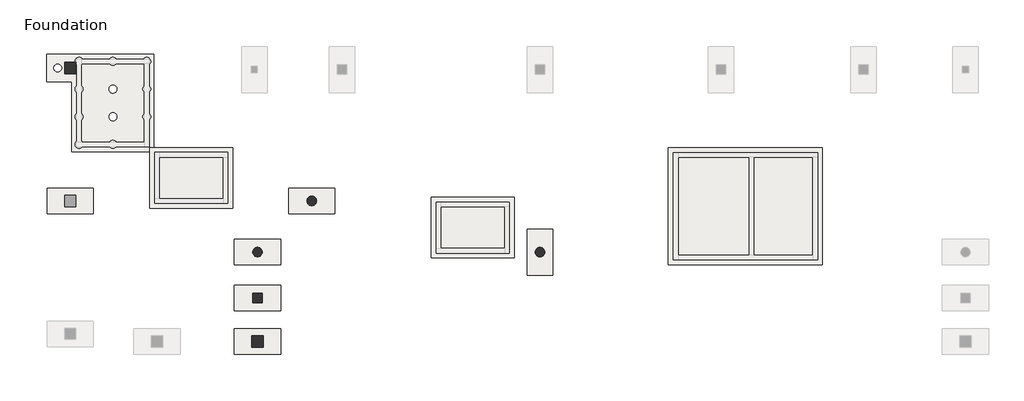
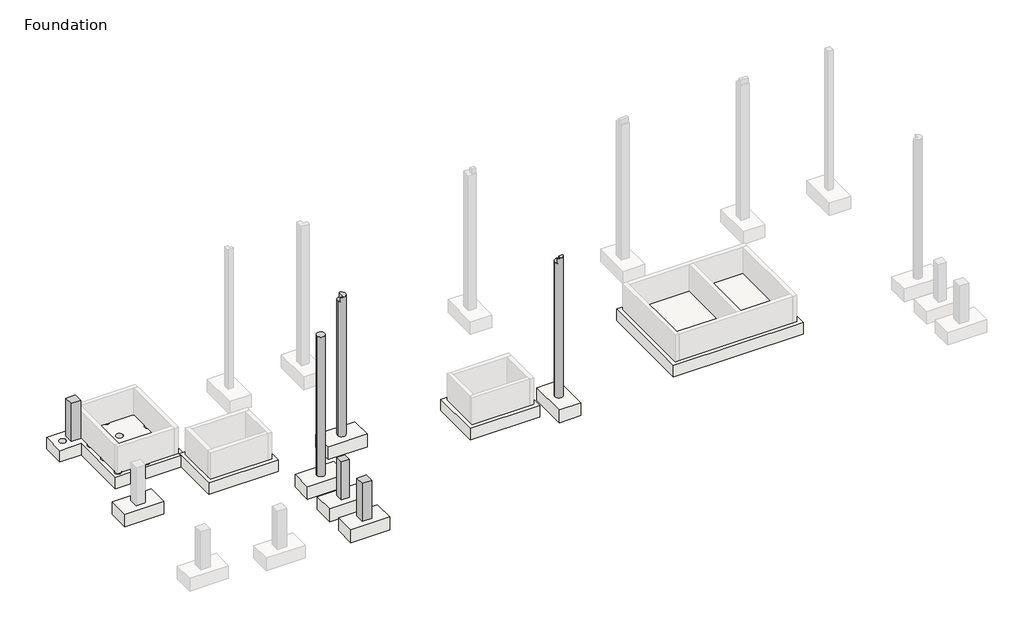
# One storey, part 2 of 10: 10 slabs, 6 columns.
"""IFC4 building model written with IfcOpenShell, lengths in millimetres."""

from ifc_helpers import new_model, si_unit, point, frame, frame_2d, origin, place, context, project, spatial, polyline, circle_curve, trimmed, segment, composite_curve, outline, extrude, faceted_brep, element, save
from ifc_brep_helpers import plane_surface, cylinder_surface, revolved_surface, advanced_brep

model = new_model("IFC4")

# Units and contexts
model_context = context("Model", 3, world=origin())
ifc_project = project(units=[si_unit("LENGTHUNIT", "METRE", prefix="MILLI")], contexts=[model_context])

# Site, building, storey
site = spatial("IfcSite", under=ifc_project)
building = spatial("IfcBuilding", under=site)
storey = spatial("IfcBuildingStorey", under=building, Name="Foundation", Elevation=-1600.0)

# Columns
placement = place(None, origin())
element("IfcColumn", 1, ObjectType="Concrete Round : 300 mm", at=placement, inside=storey, context=model_context, shape_type="AdvancedBrep", body=[
    advanced_brep(
    [(-54170.0749186, -17852.2248986, -1600.0), (-53870.0749186, -17852.2248986, -1600.0), (-54170.0749186, -17852.2248986, 3900.0), (-54161.4962748, -17802.2248986, 3900.0), (-53870.0749186, -17852.2248986, 3900.0), (-53970.0749186, -17993.6462549, 3900.0)],
    [
        (0, 1, circle_curve(frame((-54020.0749186, -17852.2248986, -1600.0), z_axis=(0.0, 0.0, -1.0), x_axis=(1.0, 0.0, 0.0)), 150.0)),
        (1, 0, circle_curve(frame((-54020.0749186, -17852.2248986, -1600.0), z_axis=(0.0, 0.0, -1.0), x_axis=(1.0, 0.0, 0.0)), 150.0)),
        (2, 3, circle_curve(frame((-54020.0749186, -17852.2248986, 3900.0), z_axis=(0.0, 0.0, -1.0), x_axis=(1.0, 0.0, 0.0)), 150.0)),
        (3, 4, circle_curve(frame((-54020.0749186, -17852.2248986, 3900.0), z_axis=(0.0, 0.0, -1.0), x_axis=(1.0, 0.0, 0.0)), 150.0)),
        (4, 1),
        (0, 2),
        (4, 5, circle_curve(frame((-54020.0749186, -17852.2248986, 3900.0), z_axis=(0.0, 0.0, -1.0), x_axis=(1.0, 0.0, 0.0)), 150.0)),
        (5, 2, circle_curve(frame((-54020.0749186, -17852.2248986, 3900.0), z_axis=(0.0, 0.0, -1.0), x_axis=(1.0, 0.0, 0.0)), 150.0)),
    ],
    [
        plane_surface(frame((-53870.0749186, -17852.2248986, -1600.0), z_axis=(0.0, 0.0, -1.0), x_axis=(0.0, -1.0, 0.0))),
        cylinder_surface(frame((-54020.0749186, -17852.2248986, -1600.0), z_axis=(0.0, 0.0, 1.0), x_axis=(1.0, 0.0, 0.0)), 150.0),
        plane_surface(frame((-53870.0749186, -17852.2248986, 3900.0), z_axis=(0.0, 0.0, 1.0), x_axis=(0.0, 1.0, 0.0))),
    ],
    [
        (0, [[1, 2]]),
        (1, [[3, 4, 5, -1, 6]]),
        (1, [[7, 8, -6, -2, -5]]),
        (2, [[-8, -7, -4, -3]]),
    ],
),
])
element("IfcColumn", 2, ObjectType="Concrete Round : 300 mm", at=placement, inside=storey, context=model_context, shape_type="AdvancedBrep", body=[
    advanced_brep(
    [(-52465.0320216, -16244.1031039, -1600.0), (-52165.0320216, -16244.1031039, -1600.0), (-52465.0320216, -16244.1031039, 3720.0), (-52315.0320216, -16094.1031039, 3720.0), (-52315.0320216, -16094.1031039, 3900.0), (-52215.0519153, -16132.2819148, 3900.0), (-52165.0320216, -16244.1031039, 3900.0), (-52426.8354205, -16344.1031039, 3900.0), (-52426.8354205, -16344.1031039, 3720.0), (-52315.0320216, -16344.1031039, 3900.0), (-52315.0320216, -16344.1031039, 3720.0)],
    [
        (0, 1, circle_curve(frame((-52315.0320216, -16244.1031039, -1600.0), z_axis=(0.0, 0.0, -1.0), x_axis=(1.0, 0.0, 0.0)), 150.0)),
        (1, 0, circle_curve(frame((-52315.0320216, -16244.1031039, -1600.0), z_axis=(0.0, 0.0, -1.0), x_axis=(1.0, 0.0, 0.0)), 150.0)),
        (0, 2),
        (2, 3, circle_curve(frame((-52315.0320216, -16244.1031039, 3720.0), z_axis=(0.0, 0.0, -1.0), x_axis=(1.0, 0.0, 0.0)), 150.0)),
        (3, 4),
        (4, 5, circle_curve(frame((-52315.0320216, -16244.1031039, 3900.0), z_axis=(0.0, 0.0, -1.0), x_axis=(1.0, 0.0, 0.0)), 150.0)),
        (5, 6, circle_curve(frame((-52315.0320216, -16244.1031039, 3900.0), z_axis=(0.0, 0.0, -1.0), x_axis=(1.0, 0.0, 0.0)), 150.0)),
        (6, 1),
        (6, 7, circle_curve(frame((-52315.0320216, -16244.1031039, 3900.0), z_axis=(0.0, 0.0, -1.0), x_axis=(1.0, 0.0, 0.0)), 150.0)),
        (7, 8),
        (8, 2, circle_curve(frame((-52315.0320216, -16244.1031039, 3720.0), z_axis=(0.0, 0.0, -1.0), x_axis=(1.0, 0.0, 0.0)), 150.0)),
        (4, 9),
        (9, 7),
        (10, 3),
        (8, 10),
        (9, 10),
    ],
    [
        plane_surface(frame((-52165.0320216, -16244.1031039, -1600.0), z_axis=(0.0, 0.0, -1.0), x_axis=(0.0, -1.0, 0.0))),
        cylinder_surface(frame((-52315.0320216, -16244.1031039, -1600.0), z_axis=(0.0, 0.0, 1.0), x_axis=(1.0, 0.0, 0.0)), 150.0),
        plane_surface(frame((-52165.0320216, -16244.1031039, 3900.0), z_axis=(0.0, 0.0, 1.0), x_axis=(0.0, 1.0, 0.0))),
        plane_surface(frame((-57102.5749186, -16344.1031039, 3720.0), z_axis=(0.0, 0.0, 1.0), x_axis=(-1.0, 0.0, 0.0))),
        plane_surface(frame((-52315.0320216, -16344.1031039, 3720.0), z_axis=(0.0, 1.0, 0.0), x_axis=(0.0, 0.0, 1.0))),
        plane_surface(frame((-52315.0320216, -12119.7248986, 3720.0), z_axis=(-1.0, 0.0, 0.0), x_axis=(0.0, 0.0, 1.0))),
    ],
    [
        (0, [[1, 2]]),
        (1, [[-1, 3, 4, 5, 6, 7, 8]]),
        (1, [[-2, -8, 9, 10, 11, -3]]),
        (2, [[-9, -7, -6, 12, 13]]),
        (3, [[14, -4, -11, 15]]),
        (4, [[16, -15, -10, -13]]),
        (5, [[-16, -12, -5, -14]]),
    ],
),
])
element("IfcColumn", 3, ObjectType="Concrete Round : 300 mm", at=placement, inside=storey, context=model_context, shape_type="AdvancedBrep", body=[
    advanced_brep(
    [(-45297.5749186, -17852.2248986, -1600.0), (-44997.5749186, -17852.2248986, -1600.0), (-45297.5749186, -17852.2248986, 3700.0), (-45147.5749186, -17702.2248986, 3700.0), (-45147.5749186, -17702.2248986, 3720.0), (-44997.5749186, -17852.2248986, 3720.0), (-44997.5749186, -17852.2248986, 3900.0), (-45035.7911262, -17952.246815, 3900.0), (-45259.3783174, -17952.2248986, 3900.0), (-45259.3783174, -17952.2248986, 3700.0), (-45147.5749186, -17852.2248986, 3900.0), (-45147.5749186, -17952.2248986, 3900.0), (-45247.5749186, -17952.2248986, 3900.0), (-45147.5749186, -17852.2248986, 3720.0), (-45247.5749186, -17952.2248986, 3700.0), (-45147.5749186, -17952.2248986, 3700.0)],
    [
        (0, 1, circle_curve(frame((-45147.5749186, -17852.2248986, -1600.0), z_axis=(0.0, 0.0, -1.0), x_axis=(1.0, 0.0, 0.0)), 150.0)),
        (1, 0, circle_curve(frame((-45147.5749186, -17852.2248986, -1600.0), z_axis=(0.0, 0.0, -1.0), x_axis=(1.0, 0.0, 0.0)), 150.0)),
        (0, 2),
        (2, 3, circle_curve(frame((-45147.5749186, -17852.2248986, 3700.0), z_axis=(0.0, 0.0, -1.0), x_axis=(1.0, 0.0, 0.0)), 150.0)),
        (3, 4),
        (4, 5, circle_curve(frame((-45147.5749186, -17852.2248986, 3720.0), z_axis=(0.0, 0.0, -1.0), x_axis=(1.0, 0.0, 0.0)), 150.0)),
        (5, 1),
        (5, 6),
        (6, 7, circle_curve(frame((-45147.5749186, -17852.2248986, 3900.0), z_axis=(0.0, 0.0, -1.0), x_axis=(1.0, 0.0, 0.0)), 150.0)),
        (7, 8, circle_curve(frame((-45147.5749186, -17852.2248986, 3900.0), z_axis=(0.0, 0.0, -1.0), x_axis=(1.0, 0.0, 0.0)), 150.0)),
        (8, 9),
        (9, 2, circle_curve(frame((-45147.5749186, -17852.2248986, 3700.0), z_axis=(0.0, 0.0, -1.0), x_axis=(1.0, 0.0, 0.0)), 150.0)),
        (6, 10),
        (10, 11),
        (11, 12),
        (12, 8),
        (13, 5),
        (4, 13),
        (13, 10),
        (9, 14),
        (14, 15),
        (15, 3),
        (15, 11),
    ],
    [
        plane_surface(frame((-44997.5749186, -17852.2248986, -1600.0), z_axis=(0.0, 0.0, -1.0), x_axis=(0.0, -1.0, 0.0))),
        cylinder_surface(frame((-45147.5749186, -17852.2248986, -1600.0), z_axis=(0.0, 0.0, 1.0), x_axis=(1.0, 0.0, 0.0)), 150.0),
        plane_surface(frame((-44997.5749186, -17852.2248986, 3900.0), z_axis=(0.0, 0.0, 1.0), x_axis=(0.0, 1.0, 0.0))),
        plane_surface(frame((-46182.5711521, -17852.2248986, 3720.0), z_axis=(0.0, 0.0, 1.0), x_axis=(-1.0, 0.0, 0.0))),
        plane_surface(frame((-40807.5711521, -17852.2248986, 3720.0), z_axis=(0.0, 1.0, 0.0), x_axis=(0.0, 0.0, 1.0))),
        plane_surface(frame((-45147.5749186, -17852.2248986, 3700.0), z_axis=(0.0, 0.0, 1.0), x_axis=(0.0, -1.0, 0.0))),
        plane_surface(frame((-45147.5749186, -14486.7502797, 3700.0), z_axis=(-1.0, 0.0, 0.0), x_axis=(0.0, 0.0, 1.0))),
        plane_surface(frame((-45147.5749186, -17952.2248986, 3700.0), z_axis=(0.0, 1.0, 0.0), x_axis=(0.0, 0.0, 1.0))),
    ],
    [
        (0, [[1, 2]]),
        (1, [[-1, 3, 4, 5, 6, 7]]),
        (1, [[-2, -7, 8, 9, 10, 11, 12, -3]]),
        (2, [[13, 14, 15, 16, -10, -9]]),
        (3, [[17, -6, 18]]),
        (4, [[-17, 19, -13, -8]]),
        (5, [[20, 21, 22, -4, -12]]),
        (6, [[23, -14, -19, -18, -5, -22]]),
        (7, [[-23, -21, -20, -11, -16, -15]]),
    ],
),
])
element("IfcColumn", 4, ObjectType="Concrete-Rectangular-Column : C 30/30", at=placement, inside=storey, context=model_context, shape_type="Brep", body=[
    faceted_brep([(-53870.0749186, -19149.1395763, -1600.0), (-53870.0749186, -19449.1395763, -1600.0), (-54170.0749186, -19449.1395763, -1600.0), (-54170.0749186, -19149.1395763, -1600.0), (-53870.0749186, -19149.1395763, -100.0), (-53870.0749186, -19449.1395763, -100.0), (-53870.0749186, -19449.1395763, -550.0), (-53870.0749186, -19149.1395763, -550.0), (-54170.0749186, -19449.1395763, -100.0), (-54170.0749186, -19449.1395763, -550.0), (-54170.0749186, -19149.1395763, -100.0), (-54170.0749186, -19149.1395763, -550.0)], [[[0, 1, 2, 3]], [[4, 5, 6, 1, 0, 7]], [[5, 8, 9, 2, 1, 6]], [[8, 10, 11, 3, 2, 9]], [[10, 4, 7, 0, 3, 11]], [[4, 10, 8, 5]]]),
])
element("IfcColumn", 5, ObjectType="Concrete-Rectangular-Column : C 35/35", at=placement, inside=storey, context=model_context, shape_type="Brep", body=[
    faceted_brep([(-59722.5229628, -11894.7248986, -1600.0), (-59722.5229628, -12244.7248986, -1600.0), (-60072.5229628, -12244.7248986, -1600.0), (-60072.5229628, -11894.7248986, -1600.0), (-59722.5229628, -11894.7248986, -100.0), (-59722.5229628, -12244.7248986, -100.0), (-59722.5229628, -12244.7248986, -550.0), (-59722.5229628, -11894.7248986, -550.0), (-60072.5229628, -12244.7248986, -100.0), (-60072.5229628, -12244.7248986, -550.0), (-60072.5229628, -11894.7248986, -100.0), (-60072.5229628, -11894.7248986, -550.0)], [[[0, 1, 2, 3]], [[4, 5, 6, 1, 0, 7]], [[5, 8, 9, 2, 1, 6]], [[8, 10, 11, 3, 2, 9]], [[10, 4, 7, 0, 3, 11]], [[4, 10, 8, 5]]]),
])
element("IfcColumn", 6, ObjectType="Concrete-Rectangular-Column : C 35/35", at=placement, inside=storey, context=model_context, shape_type="Brep", body=[
    faceted_brep([(-54195.0749186, -20484.7180835, -1600.0), (-53845.0749186, -20484.7180835, -1600.0), (-53845.0749186, -20834.7180835, -1600.0), (-54195.0749186, -20834.7180835, -1600.0), (-54195.0749186, -20484.7180835, -100.0), (-53845.0749186, -20484.7180835, -100.0), (-53845.0749186, -20484.7180835, -550.0), (-54195.0749186, -20484.7180835, -550.0), (-53845.0749186, -20834.7180835, -100.0), (-53845.0749186, -20834.7180835, -550.0), (-54195.0749186, -20834.7180835, -100.0), (-54195.0749186, -20834.7180835, -550.0)], [[[0, 1, 2, 3]], [[4, 5, 6, 1, 0, 7]], [[5, 8, 9, 2, 1, 6]], [[8, 10, 11, 3, 2, 9]], [[10, 4, 7, 0, 3, 11]], [[4, 10, 8, 5]]]),
])

# Slabs
element("IfcSlab", 7, ObjectType="Pile Cap for 2 Piles : Type 1", at=placement, inside=storey, context=model_context, shape_type="AdvancedBrep", body=[
    advanced_brep(
    [(-60622.5229628, -15845.558232, -1600.0), (-60622.5229628, -16645.558232, -1600.0), (-59172.5229628, -16645.558232, -1600.0), (-59172.5229628, -15845.558232, -1600.0), (-60622.5229628, -15845.558232, -2100.0), (-59172.5229628, -15845.558232, -2100.0), (-59172.5229628, -16645.558232, -2100.0), (-60622.5229628, -16645.558232, -2100.0), (-60297.5229628, -16378.8915653, -2100.0), (-60297.5229628, -16112.2248986, -2100.0), (-59497.5229628, -16378.8915653, -2100.0), (-59497.5229628, -16112.2248986, -2100.0), (-59497.5229628, -16378.8915653, -2050.0), (-59497.5229628, -16112.2248986, -2050.0), (-60297.5229628, -16378.8915653, -2050.0), (-60297.5229628, -16112.2248986, -2050.0)],
    [
        (0, 1),
        (1, 2),
        (2, 3),
        (3, 0),
        (4, 5),
        (5, 6),
        (6, 7),
        (7, 4),
        (8, 9, circle_curve(frame((-60297.5229628, -16245.558232, -2100.0), z_axis=(0.0, 0.0, 1.0), x_axis=(0.0, 0.9999999999999999, 0.0)), 133.3333333)),
        (9, 8, circle_curve(frame((-60297.5229628, -16245.558232, -2100.0), z_axis=(0.0, 0.0, 1.0), x_axis=(0.0, 0.9999999999999999, 0.0)), 133.3333333)),
        (10, 11, circle_curve(frame((-59497.5229628, -16245.558232, -2100.0), z_axis=(0.0, 0.0, 1.0), x_axis=(0.0, 0.9999999999999999, 0.0)), 133.3333333)),
        (11, 10, circle_curve(frame((-59497.5229628, -16245.558232, -2100.0), z_axis=(0.0, 0.0, 1.0), x_axis=(0.0, 0.9999999999999999, 0.0)), 133.3333333)),
        (0, 4),
        (7, 1),
        (6, 2),
        (5, 3),
        (12, 13, circle_curve(frame((-59497.5229628, -16245.558232, -2050.0), z_axis=(0.0, 0.0, -1.0), x_axis=(0.0, 0.9999999999999999, 0.0)), 133.3333333)),
        (13, 12, circle_curve(frame((-59497.5229628, -16245.558232, -2050.0), z_axis=(0.0, 0.0, -1.0), x_axis=(0.0, 0.9999999999999999, 0.0)), 133.3333333)),
        (8, 14),
        (14, 15, circle_curve(frame((-60297.5229628, -16245.558232, -2050.0), z_axis=(0.0, 0.0, 1.0), x_axis=(0.0, 0.9999999999999999, 0.0)), 133.3333333)),
        (15, 9),
        (15, 14, circle_curve(frame((-60297.5229628, -16245.558232, -2050.0), z_axis=(0.0, 0.0, 1.0), x_axis=(0.0, 0.9999999999999999, 0.0)), 133.3333333)),
        (10, 12),
        (13, 11),
    ],
    [
        plane_surface(frame((-60622.5229628, -16645.558232, -1600.0), z_axis=(0.0, 0.0, 1.0), x_axis=(0.0, -1.0, 0.0))),
        plane_surface(frame((-60622.5229628, -16645.558232, -2100.0), z_axis=(0.0, 0.0, -1.0), x_axis=(0.0, 1.0, 0.0))),
        plane_surface(frame((-60622.5229628, -15845.558232, -1600.0), z_axis=(-1.0, 0.0, 0.0), x_axis=(0.0, 0.0, -1.0))),
        plane_surface(frame((-60622.5229628, -16645.558232, -1600.0), z_axis=(0.0, -1.0, 0.0), x_axis=(0.0, 0.0, -1.0))),
        plane_surface(frame((-59172.5229628, -16645.558232, -1600.0), z_axis=(1.0, 0.0, 0.0), x_axis=(0.0, 0.0, -1.0))),
        plane_surface(frame((-59172.5229628, -15845.558232, -1600.0), z_axis=(0.0, 1.0, 0.0), x_axis=(0.0, 0.0, -1.0))),
        plane_surface(frame((-60297.5229628, -16112.2248986, -2050.0), z_axis=(0.0, 0.0, -1.0), x_axis=(-1.0, 0.0, 0.0))),
        revolved_surface(polyline([(-60297.5229628, -16112.2248987, -2050.0), (-60297.5229628, -16112.2248987, -2100.0)]), (-60297.5229628, -16245.558232, -2100.0), (0.0, 0.0, 1.0)),
        revolved_surface(polyline([(-59497.5229628, -16112.2248987, -2050.0), (-59497.5229628, -16112.2248987, -2100.0)]), (-59497.5229628, -16245.558232, -1600.0), (0.0, 0.0, 1.0)),
    ],
    [
        (0, [[1, 2, 3, 4]]),
        (1, [[5, 6, 7, 8], [9, 10], [11, 12]]),
        (2, [[-1, 13, -8, 14]]),
        (3, [[-2, -14, -7, 15]]),
        (4, [[-3, -15, -6, 16]]),
        (5, [[-4, -16, -5, -13]]),
        (6, [[17, 18]]),
        (7, [[-9, 19, 20, 21]]),
        (7, [[-10, -21, 22, -19]]),
        (8, [[-11, 23, -18, 24]]),
        (8, [[-12, -24, -17, -23]]),
        (6, [[-22, -20]]),
    ],
),
])
element("IfcSlab", 8, ObjectType="Pile Cap for 2 Piles : Type 1", at=placement, inside=storey, context=model_context, shape_type="AdvancedBrep", body=[
    advanced_brep(
    [(-54745.0749186, -20259.7180835, -1600.0), (-54745.0749186, -21059.7180835, -1600.0), (-53295.0749186, -21059.7180835, -1600.0), (-53295.0749186, -20259.7180835, -1600.0), (-54745.0749186, -20259.7180835, -2100.0), (-53295.0749186, -20259.7180835, -2100.0), (-53295.0749186, -21059.7180835, -2100.0), (-54745.0749186, -21059.7180835, -2100.0), (-54420.0749186, -20793.0514168, -2100.0), (-54420.0749186, -20526.3847501, -2100.0), (-53620.0749186, -20793.0514168, -2100.0), (-53620.0749186, -20526.3847501, -2100.0), (-53620.0749186, -20793.0514168, -2050.0), (-53620.0749186, -20526.3847501, -2050.0), (-54420.0749186, -20793.0514168, -2050.0), (-54420.0749186, -20526.3847501, -2050.0)],
    [
        (0, 1),
        (1, 2),
        (2, 3),
        (3, 0),
        (4, 5),
        (5, 6),
        (6, 7),
        (7, 4),
        (8, 9, circle_curve(frame((-54420.0749186, -20659.7180835, -2100.0), z_axis=(0.0, 0.0, 1.0), x_axis=(0.0, 1.0, 0.0)), 133.3333333)),
        (9, 8, circle_curve(frame((-54420.0749186, -20659.7180835, -2100.0), z_axis=(0.0, 0.0, 1.0), x_axis=(0.0, 1.0, 0.0)), 133.3333333)),
        (10, 11, circle_curve(frame((-53620.0749186, -20659.7180835, -2100.0), z_axis=(0.0, 0.0, 1.0), x_axis=(0.0, 1.0, 0.0)), 133.3333333)),
        (11, 10, circle_curve(frame((-53620.0749186, -20659.7180835, -2100.0), z_axis=(0.0, 0.0, 1.0), x_axis=(0.0, 1.0, 0.0)), 133.3333333)),
        (0, 4),
        (7, 1),
        (6, 2),
        (5, 3),
        (12, 13, circle_curve(frame((-53620.0749186, -20659.7180835, -2050.0), z_axis=(0.0, 0.0, -1.0), x_axis=(0.0, 1.0, 0.0)), 133.3333333)),
        (13, 12, circle_curve(frame((-53620.0749186, -20659.7180835, -2050.0), z_axis=(0.0, 0.0, -1.0), x_axis=(0.0, 1.0, 0.0)), 133.3333333)),
        (8, 14),
        (14, 15, circle_curve(frame((-54420.0749186, -20659.7180835, -2050.0), z_axis=(0.0, 0.0, 1.0), x_axis=(0.0, 1.0, 0.0)), 133.3333333)),
        (15, 9),
        (15, 14, circle_curve(frame((-54420.0749186, -20659.7180835, -2050.0), z_axis=(0.0, 0.0, 1.0), x_axis=(0.0, 1.0, 0.0)), 133.3333333)),
        (10, 12),
        (13, 11),
    ],
    [
        plane_surface(frame((-54745.0749186, -21059.7180835, -1600.0), z_axis=(0.0, 0.0, 1.0), x_axis=(0.0, -1.0, 0.0))),
        plane_surface(frame((-54745.0749186, -21059.7180835, -2100.0), z_axis=(0.0, 0.0, -1.0), x_axis=(0.0, 1.0, 0.0))),
        plane_surface(frame((-54745.0749186, -20259.7180835, -1600.0), z_axis=(-1.0, 0.0, 0.0), x_axis=(0.0, 0.0, -1.0))),
        plane_surface(frame((-54745.0749186, -21059.7180835, -1600.0), z_axis=(0.0, -1.0, 0.0), x_axis=(0.0, 0.0, -1.0))),
        plane_surface(frame((-53295.0749186, -21059.7180835, -1600.0), z_axis=(1.0, 0.0, 0.0), x_axis=(0.0, 0.0, -1.0))),
        plane_surface(frame((-53295.0749186, -20259.7180835, -1600.0), z_axis=(0.0, 1.0, 0.0), x_axis=(0.0, 0.0, -1.0))),
        plane_surface(frame((-54420.0749186, -20526.3847501, -2050.0), z_axis=(0.0, 0.0, -1.0), x_axis=(-1.0, 0.0, 0.0))),
        revolved_surface(polyline([(-54420.0749186, -20526.3847502, -2050.0), (-54420.0749186, -20526.3847502, -2100.0)]), (-54420.0749186, -20659.7180835, -2100.0), (0.0, 0.0, 1.0)),
        revolved_surface(polyline([(-53620.0749186, -20526.3847502, -2050.0), (-53620.0749186, -20526.3847502, -2100.0)]), (-53620.0749186, -20659.7180835, -1600.0), (0.0, 0.0, 1.0)),
    ],
    [
        (0, [[1, 2, 3, 4]]),
        (1, [[5, 6, 7, 8], [9, 10], [11, 12]]),
        (2, [[-1, 13, -8, 14]]),
        (3, [[-2, -14, -7, 15]]),
        (4, [[-3, -15, -6, 16]]),
        (5, [[-4, -16, -5, -13]]),
        (6, [[17, 18]]),
        (7, [[-9, 19, 20, 21]]),
        (7, [[-10, -21, 22, -19]]),
        (8, [[-11, 23, -18, 24]]),
        (8, [[-12, -24, -17, -23]]),
        (6, [[-22, -20]]),
    ],
),
])
element("IfcSlab", 9, ObjectType="Pile Cap for 2 Piles : Type 1", at=placement, inside=storey, context=model_context, shape_type="AdvancedBrep", body=[
    advanced_brep(
    [(-54745.0749186, -18899.1395763, -1600.0), (-54745.0749186, -19699.1395763, -1600.0), (-53295.0749186, -19699.1395763, -1600.0), (-53295.0749186, -18899.1395763, -1600.0), (-54745.0749186, -18899.1395763, -2100.0), (-53295.0749186, -18899.1395763, -2100.0), (-53295.0749186, -19699.1395763, -2100.0), (-54745.0749186, -19699.1395763, -2100.0), (-54420.0749186, -19432.4729096, -2100.0), (-54420.0749186, -19165.8062429, -2100.0), (-53620.0749186, -19432.4729096, -2100.0), (-53620.0749186, -19165.8062429, -2100.0), (-53620.0749186, -19432.4729096, -2050.0), (-53620.0749186, -19165.8062429, -2050.0), (-54420.0749186, -19432.4729096, -2050.0), (-54420.0749186, -19165.8062429, -2050.0)],
    [
        (0, 1),
        (1, 2),
        (2, 3),
        (3, 0),
        (4, 5),
        (5, 6),
        (6, 7),
        (7, 4),
        (8, 9, circle_curve(frame((-54420.0749186, -19299.1395763, -2100.0), z_axis=(0.0, 0.0, 1.0), x_axis=(0.0, 1.0, 0.0)), 133.3333333)),
        (9, 8, circle_curve(frame((-54420.0749186, -19299.1395763, -2100.0), z_axis=(0.0, 0.0, 1.0), x_axis=(0.0, 1.0, 0.0)), 133.3333333)),
        (10, 11, circle_curve(frame((-53620.0749186, -19299.1395763, -2100.0), z_axis=(0.0, 0.0, 1.0), x_axis=(0.0, 1.0, 0.0)), 133.3333333)),
        (11, 10, circle_curve(frame((-53620.0749186, -19299.1395763, -2100.0), z_axis=(0.0, 0.0, 1.0), x_axis=(0.0, 1.0, 0.0)), 133.3333333)),
        (0, 4),
        (7, 1),
        (6, 2),
        (5, 3),
        (12, 13, circle_curve(frame((-53620.0749186, -19299.1395763, -2050.0), z_axis=(0.0, 0.0, -1.0), x_axis=(0.0, 1.0, 0.0)), 133.3333333)),
        (13, 12, circle_curve(frame((-53620.0749186, -19299.1395763, -2050.0), z_axis=(0.0, 0.0, -1.0), x_axis=(0.0, 1.0, 0.0)), 133.3333333)),
        (8, 14),
        (14, 15, circle_curve(frame((-54420.0749186, -19299.1395763, -2050.0), z_axis=(0.0, 0.0, 1.0), x_axis=(0.0, 1.0, 0.0)), 133.3333333)),
        (15, 9),
        (15, 14, circle_curve(frame((-54420.0749186, -19299.1395763, -2050.0), z_axis=(0.0, 0.0, 1.0), x_axis=(0.0, 1.0, 0.0)), 133.3333333)),
        (10, 12),
        (13, 11),
    ],
    [
        plane_surface(frame((-54745.0749186, -19699.1395763, -1600.0), z_axis=(0.0, 0.0, 1.0), x_axis=(0.0, -1.0, 0.0))),
        plane_surface(frame((-54745.0749186, -19699.1395763, -2100.0), z_axis=(0.0, 0.0, -1.0), x_axis=(0.0, 1.0, 0.0))),
        plane_surface(frame((-54745.0749186, -18899.1395763, -1600.0), z_axis=(-1.0, 0.0, 0.0), x_axis=(0.0, 0.0, -1.0))),
        plane_surface(frame((-54745.0749186, -19699.1395763, -1600.0), z_axis=(0.0, -1.0, 0.0), x_axis=(0.0, 0.0, -1.0))),
        plane_surface(frame((-53295.0749186, -19699.1395763, -1600.0), z_axis=(1.0, 0.0, 0.0), x_axis=(0.0, 0.0, -1.0))),
        plane_surface(frame((-53295.0749186, -18899.1395763, -1600.0), z_axis=(0.0, 1.0, 0.0), x_axis=(0.0, 0.0, -1.0))),
        plane_surface(frame((-54420.0749186, -19165.8062429, -2050.0), z_axis=(0.0, 0.0, -1.0), x_axis=(-1.0, 0.0, 0.0))),
        revolved_surface(polyline([(-54420.0749186, -19165.806243, -2050.0), (-54420.0749186, -19165.806243, -2100.0)]), (-54420.0749186, -19299.1395763, -2100.0), (0.0, 0.0, 1.0)),
        revolved_surface(polyline([(-53620.0749186, -19165.806243, -2050.0), (-53620.0749186, -19165.806243, -2100.0)]), (-53620.0749186, -19299.1395763, -1600.0), (0.0, 0.0, 1.0)),
    ],
    [
        (0, [[1, 2, 3, 4]]),
        (1, [[5, 6, 7, 8], [9, 10], [11, 12]]),
        (2, [[-1, 13, -8, 14]]),
        (3, [[-2, -14, -7, 15]]),
        (4, [[-3, -15, -6, 16]]),
        (5, [[-4, -16, -5, -13]]),
        (6, [[17, 18]]),
        (7, [[-9, 19, 20, 21]]),
        (7, [[-10, -21, 22, -19]]),
        (8, [[-11, 23, -18, 24]]),
        (8, [[-12, -24, -17, -23]]),
        (6, [[-22, -20]]),
    ],
),
])
element("IfcSlab", 10, ObjectType="Pile Cap for 2 Piles : Type 1", at=placement, inside=storey, context=model_context, shape_type="AdvancedBrep", body=[
    advanced_brep(
    [(-54745.0749186, -17452.2248986, -1600.0), (-54745.0749186, -18252.2248986, -1600.0), (-53295.0749186, -18252.2248986, -1600.0), (-53295.0749186, -17452.2248986, -1600.0), (-54745.0749186, -17452.2248986, -2100.0), (-53295.0749186, -17452.2248986, -2100.0), (-53295.0749186, -18252.2248986, -2100.0), (-54745.0749186, -18252.2248986, -2100.0), (-54420.0749186, -17985.558232, -2100.0), (-54420.0749186, -17718.8915653, -2100.0), (-53620.0749186, -17985.558232, -2100.0), (-53620.0749186, -17718.8915653, -2100.0), (-53620.0749186, -17985.558232, -2050.0), (-53620.0749186, -17718.8915653, -2050.0), (-54420.0749186, -17985.558232, -2050.0), (-54420.0749186, -17718.8915653, -2050.0)],
    [
        (0, 1),
        (1, 2),
        (2, 3),
        (3, 0),
        (4, 5),
        (5, 6),
        (6, 7),
        (7, 4),
        (8, 9, circle_curve(frame((-54420.0749186, -17852.2248986, -2100.0), z_axis=(0.0, 0.0, 1.0), x_axis=(0.0, 1.0, 0.0)), 133.3333333)),
        (9, 8, circle_curve(frame((-54420.0749186, -17852.2248986, -2100.0), z_axis=(0.0, 0.0, 1.0), x_axis=(0.0, 1.0, 0.0)), 133.3333333)),
        (10, 11, circle_curve(frame((-53620.0749186, -17852.2248986, -2100.0), z_axis=(0.0, 0.0, 1.0), x_axis=(0.0, 1.0, 0.0)), 133.3333333)),
        (11, 10, circle_curve(frame((-53620.0749186, -17852.2248986, -2100.0), z_axis=(0.0, 0.0, 1.0), x_axis=(0.0, 1.0, 0.0)), 133.3333333)),
        (0, 4),
        (7, 1),
        (6, 2),
        (5, 3),
        (12, 13, circle_curve(frame((-53620.0749186, -17852.2248986, -2050.0), z_axis=(0.0, 0.0, -1.0), x_axis=(0.0, 1.0, 0.0)), 133.3333333)),
        (13, 12, circle_curve(frame((-53620.0749186, -17852.2248986, -2050.0), z_axis=(0.0, 0.0, -1.0), x_axis=(0.0, 1.0, 0.0)), 133.3333333)),
        (8, 14),
        (14, 15, circle_curve(frame((-54420.0749186, -17852.2248986, -2050.0), z_axis=(0.0, 0.0, 1.0), x_axis=(0.0, 1.0, 0.0)), 133.3333333)),
        (15, 9),
        (15, 14, circle_curve(frame((-54420.0749186, -17852.2248986, -2050.0), z_axis=(0.0, 0.0, 1.0), x_axis=(0.0, 1.0, 0.0)), 133.3333333)),
        (10, 12),
        (13, 11),
    ],
    [
        plane_surface(frame((-54745.0749186, -18252.2248986, -1600.0), z_axis=(0.0, 0.0, 1.0), x_axis=(0.0, -1.0, 0.0))),
        plane_surface(frame((-54745.0749186, -18252.2248986, -2100.0), z_axis=(0.0, 0.0, -1.0), x_axis=(0.0, 1.0, 0.0))),
        plane_surface(frame((-54745.0749186, -17452.2248986, -1600.0), z_axis=(-1.0, 0.0, 0.0), x_axis=(0.0, 0.0, -1.0))),
        plane_surface(frame((-54745.0749186, -18252.2248986, -1600.0), z_axis=(0.0, -1.0, 0.0), x_axis=(0.0, 0.0, -1.0))),
        plane_surface(frame((-53295.0749186, -18252.2248986, -1600.0), z_axis=(1.0, 0.0, 0.0), x_axis=(0.0, 0.0, -1.0))),
        plane_surface(frame((-53295.0749186, -17452.2248986, -1600.0), z_axis=(0.0, 1.0, 0.0), x_axis=(0.0, 0.0, -1.0))),
        plane_surface(frame((-54420.0749186, -17718.8915653, -2050.0), z_axis=(0.0, 0.0, -1.0), x_axis=(-1.0, 0.0, 0.0))),
        revolved_surface(polyline([(-54420.0749186, -17718.8915653, -2050.0), (-54420.0749186, -17718.8915653, -2100.0)]), (-54420.0749186, -17852.2248986, -2100.0), (0.0, 0.0, 1.0)),
        revolved_surface(polyline([(-53620.0749186, -17718.8915653, -2050.0), (-53620.0749186, -17718.8915653, -2100.0)]), (-53620.0749186, -17852.2248986, -1600.0), (0.0, 0.0, 1.0)),
    ],
    [
        (0, [[1, 2, 3, 4]]),
        (1, [[5, 6, 7, 8], [9, 10], [11, 12]]),
        (2, [[-1, 13, -8, 14]]),
        (3, [[-2, -14, -7, 15]]),
        (4, [[-3, -15, -6, 16]]),
        (5, [[-4, -16, -5, -13]]),
        (6, [[17, 18]]),
        (7, [[-9, 19, 20, 21]]),
        (7, [[-10, -21, 22, -19]]),
        (8, [[-11, 23, -18, 24]]),
        (8, [[-12, -24, -17, -23]]),
        (6, [[-22, -20]]),
    ],
),
])
element("IfcSlab", 11, ObjectType="Pile Cap for 2 Piles : Type 1", at=placement, inside=storey, context=model_context, shape_type="AdvancedBrep", body=[
    advanced_brep(
    [(-53040.0320216, -15844.1031039, -1600.0), (-53040.0320216, -16644.1031039, -1600.0), (-51590.0320216, -16644.1031039, -1600.0), (-51590.0320216, -15844.1031039, -1600.0), (-53040.0320216, -15844.1031039, -2100.0), (-51590.0320216, -15844.1031039, -2100.0), (-51590.0320216, -16644.1031039, -2100.0), (-53040.0320216, -16644.1031039, -2100.0), (-52715.0320216, -16377.4364373, -2100.0), (-52715.0320216, -16110.7697706, -2100.0), (-51915.0320216, -16377.4364373, -2100.0), (-51915.0320216, -16110.7697706, -2100.0), (-51915.0320216, -16377.4364373, -2050.0), (-51915.0320216, -16110.7697706, -2050.0), (-52715.0320216, -16377.4364373, -2050.0), (-52715.0320216, -16110.7697706, -2050.0)],
    [
        (0, 1),
        (1, 2),
        (2, 3),
        (3, 0),
        (4, 5),
        (5, 6),
        (6, 7),
        (7, 4),
        (8, 9, circle_curve(frame((-52715.0320216, -16244.1031039, -2100.0), z_axis=(0.0, 0.0, 1.0), x_axis=(0.0, 1.0, 0.0)), 133.3333333)),
        (9, 8, circle_curve(frame((-52715.0320216, -16244.1031039, -2100.0), z_axis=(0.0, 0.0, 1.0), x_axis=(0.0, 1.0, 0.0)), 133.3333333)),
        (10, 11, circle_curve(frame((-51915.0320216, -16244.1031039, -2100.0), z_axis=(0.0, 0.0, 1.0), x_axis=(0.0, 1.0, 0.0)), 133.3333333)),
        (11, 10, circle_curve(frame((-51915.0320216, -16244.1031039, -2100.0), z_axis=(0.0, 0.0, 1.0), x_axis=(0.0, 1.0, 0.0)), 133.3333333)),
        (0, 4),
        (7, 1),
        (6, 2),
        (5, 3),
        (12, 13, circle_curve(frame((-51915.0320216, -16244.1031039, -2050.0), z_axis=(0.0, 0.0, -1.0), x_axis=(0.0, 1.0, 0.0)), 133.3333333)),
        (13, 12, circle_curve(frame((-51915.0320216, -16244.1031039, -2050.0), z_axis=(0.0, 0.0, -1.0), x_axis=(0.0, 1.0, 0.0)), 133.3333333)),
        (8, 14),
        (14, 15, circle_curve(frame((-52715.0320216, -16244.1031039, -2050.0), z_axis=(0.0, 0.0, 1.0), x_axis=(0.0, 1.0, 0.0)), 133.3333333)),
        (15, 9),
        (15, 14, circle_curve(frame((-52715.0320216, -16244.1031039, -2050.0), z_axis=(0.0, 0.0, 1.0), x_axis=(0.0, 1.0, 0.0)), 133.3333333)),
        (10, 12),
        (13, 11),
    ],
    [
        plane_surface(frame((-53040.0320216, -16644.1031039, -1600.0), z_axis=(0.0, 0.0, 1.0), x_axis=(0.0, -1.0, 0.0))),
        plane_surface(frame((-53040.0320216, -16644.1031039, -2100.0), z_axis=(0.0, 0.0, -1.0), x_axis=(0.0, 1.0, 0.0))),
        plane_surface(frame((-53040.0320216, -15844.1031039, -1600.0), z_axis=(-1.0, 0.0, 0.0), x_axis=(0.0, 0.0, -1.0))),
        plane_surface(frame((-53040.0320216, -16644.1031039, -1600.0), z_axis=(0.0, -1.0, 0.0), x_axis=(0.0, 0.0, -1.0))),
        plane_surface(frame((-51590.0320216, -16644.1031039, -1600.0), z_axis=(1.0, 0.0, 0.0), x_axis=(0.0, 0.0, -1.0))),
        plane_surface(frame((-51590.0320216, -15844.1031039, -1600.0), z_axis=(0.0, 1.0, 0.0), x_axis=(0.0, 0.0, -1.0))),
        plane_surface(frame((-52715.0320216, -16110.7697706, -2050.0), z_axis=(0.0, 0.0, -1.0), x_axis=(-1.0, 0.0, 0.0))),
        revolved_surface(polyline([(-52715.0320216, -16110.769770600002, -2050.0), (-52715.0320216, -16110.769770600002, -2100.0)]), (-52715.0320216, -16244.1031039, -2100.0), (0.0, 0.0, 1.0)),
        revolved_surface(polyline([(-51915.0320216, -16110.769770600002, -2050.0), (-51915.0320216, -16110.769770600002, -2100.0)]), (-51915.0320216, -16244.1031039, -1600.0), (0.0, 0.0, 1.0)),
    ],
    [
        (0, [[1, 2, 3, 4]]),
        (1, [[5, 6, 7, 8], [9, 10], [11, 12]]),
        (2, [[-1, 13, -8, 14]]),
        (3, [[-2, -14, -7, 15]]),
        (4, [[-3, -15, -6, 16]]),
        (5, [[-4, -16, -5, -13]]),
        (6, [[17, 18]]),
        (7, [[-9, 19, 20, 21]]),
        (7, [[-10, -21, 22, -19]]),
        (8, [[-11, 23, -18, 24]]),
        (8, [[-12, -24, -17, -23]]),
        (6, [[-22, -20]]),
    ],
),
])
element("IfcSlab", 12, ObjectType="Pile Cap for 2 Piles : Type 1", at=placement, inside=storey, context=model_context, shape_type="AdvancedBrep", body=[
    advanced_brep(
    [(-45547.5749186, -18577.2248986, -1600.0), (-44747.5749186, -18577.2248986, -1600.0), (-44747.5749186, -17127.2248986, -1600.0), (-45547.5749186, -17127.2248986, -1600.0), (-45547.5749186, -18577.2248986, -2100.0), (-45547.5749186, -17127.2248986, -2100.0), (-44747.5749186, -17127.2248986, -2100.0), (-44747.5749186, -18577.2248986, -2100.0), (-45014.2415852, -18252.2248986, -2100.0), (-45280.9082519, -18252.2248986, -2100.0), (-45014.2415852, -17452.2248986, -2100.0), (-45280.9082519, -17452.2248986, -2100.0), (-45014.2415852, -17452.2248986, -2050.0), (-45280.9082519, -17452.2248986, -2050.0), (-45014.2415852, -18252.2248986, -2050.0), (-45280.9082519, -18252.2248986, -2050.0)],
    [
        (0, 1),
        (1, 2),
        (2, 3),
        (3, 0),
        (4, 5),
        (5, 6),
        (6, 7),
        (7, 4),
        (8, 9, circle_curve(frame((-45147.5749186, -18252.2248986, -2100.0), z_axis=(0.0, 0.0, 1.0), x_axis=(-1.0, 0.0, 0.0)), 133.3333333)),
        (9, 8, circle_curve(frame((-45147.5749186, -18252.2248986, -2100.0), z_axis=(0.0, 0.0, 1.0), x_axis=(-1.0, 0.0, 0.0)), 133.3333333)),
        (10, 11, circle_curve(frame((-45147.5749186, -17452.2248986, -2100.0), z_axis=(0.0, 0.0, 1.0), x_axis=(-1.0, 0.0, 0.0)), 133.3333333)),
        (11, 10, circle_curve(frame((-45147.5749186, -17452.2248986, -2100.0), z_axis=(0.0, 0.0, 1.0), x_axis=(-1.0, 0.0, 0.0)), 133.3333333)),
        (0, 4),
        (7, 1),
        (6, 2),
        (5, 3),
        (12, 13, circle_curve(frame((-45147.5749186, -17452.2248986, -2050.0), z_axis=(0.0, 0.0, -1.0), x_axis=(-1.0, 0.0, 0.0)), 133.3333333)),
        (13, 12, circle_curve(frame((-45147.5749186, -17452.2248986, -2050.0), z_axis=(0.0, 0.0, -1.0), x_axis=(-1.0, 0.0, 0.0)), 133.3333333)),
        (8, 14),
        (14, 15, circle_curve(frame((-45147.5749186, -18252.2248986, -2050.0), z_axis=(0.0, 0.0, 1.0), x_axis=(-1.0, 0.0, 0.0)), 133.3333333)),
        (15, 9),
        (15, 14, circle_curve(frame((-45147.5749186, -18252.2248986, -2050.0), z_axis=(0.0, 0.0, 1.0), x_axis=(-1.0, 0.0, 0.0)), 133.3333333)),
        (10, 12),
        (13, 11),
    ],
    [
        plane_surface(frame((-44747.5749186, -18577.2248986, -1600.0), z_axis=(0.0, 0.0, 1.0), x_axis=(1.0, 0.0, 0.0))),
        plane_surface(frame((-44747.5749186, -18577.2248986, -2100.0), z_axis=(0.0, 0.0, -1.0), x_axis=(-1.0, 0.0, 0.0))),
        plane_surface(frame((-45547.5749186, -18577.2248986, -1600.0), z_axis=(0.0, -1.0, 0.0), x_axis=(0.0, 0.0, -1.0))),
        plane_surface(frame((-44747.5749186, -18577.2248986, -1600.0), z_axis=(1.0, 0.0, 0.0), x_axis=(0.0, 0.0, -1.0))),
        plane_surface(frame((-44747.5749186, -17127.2248986, -1600.0), z_axis=(0.0, 1.0, 0.0), x_axis=(0.0, 0.0, -1.0))),
        plane_surface(frame((-45547.5749186, -17127.2248986, -1600.0), z_axis=(-1.0, 0.0, 0.0), x_axis=(0.0, 0.0, -1.0))),
        plane_surface(frame((-45280.9082519, -18252.2248986, -2050.0), z_axis=(0.0, 0.0, -1.0), x_axis=(0.0, -1.0, 0.0))),
        revolved_surface(polyline([(-45280.9082519, -18252.2248986, -2050.0), (-45280.9082519, -18252.2248986, -2100.0)]), (-45147.5749186, -18252.2248986, -2100.0), (0.0, 0.0, 1.0)),
        revolved_surface(polyline([(-45280.9082519, -17452.2248986, -2050.0), (-45280.9082519, -17452.2248986, -2100.0)]), (-45147.5749186, -17452.2248986, -1600.0), (0.0, 0.0, 1.0)),
    ],
    [
        (0, [[1, 2, 3, 4]]),
        (1, [[5, 6, 7, 8], [9, 10], [11, 12]]),
        (2, [[-1, 13, -8, 14]]),
        (3, [[-2, -14, -7, 15]]),
        (4, [[-3, -15, -6, 16]]),
        (5, [[-4, -16, -5, -13]]),
        (6, [[17, 18]]),
        (7, [[-9, 19, 20, 21]]),
        (7, [[-10, -21, 22, -19]]),
        (8, [[-11, 23, -18, 24]]),
        (8, [[-12, -24, -17, -23]]),
        (6, [[-22, -20]]),
    ],
),
])
element("IfcSlab", 13, ObjectType="Slab CIP 450 mm", at=placement, inside=storey, context=model_context, shape_type="Brep", body=[
    faceted_brep([(-57402.5749186, -14570.558232, -2050.0), (-57275.0749186, -14570.558232, -2050.0), (-54802.5749186, -14570.558232, -2050.0), (-54802.5749186, -16470.558232, -2050.0), (-57402.5749186, -16470.558232, -2050.0), (-57402.5749186, -14694.7248986, -2050.0), (-57402.5749186, -14570.558232, -1600.0), (-57402.5749186, -14694.7248986, -1600.0), (-57402.5749186, -16470.558232, -1600.0), (-54802.5749186, -16470.558232, -1600.0), (-54802.5749186, -14570.558232, -1600.0), (-57275.0749186, -14570.558232, -1600.0)], [[[0, 1, 2, 3, 4, 5]], [[6, 7, 8, 9, 10, 11]], [[2, 1, 0, 6, 11, 10]], [[3, 2, 10, 9]], [[4, 3, 9, 8]], [[0, 5, 4, 8, 7, 6]]]),
])
element("IfcSlab", 14, ObjectType="Slab CIP 450 mm", at=placement, inside=storey, context=model_context, shape_type="SweptSolid", body=[
    extrude(outline(polyline([(-60647.5229628, -11637.2248986), (-57275.0749186, -11637.2248986), (-57275.0749186, -14570.558232), (-57402.5749186, -14570.558232), (-57402.5749186, -14694.7248986), (-59850.0749186, -14694.7248986), (-59850.0749186, -12502.2248986), (-60647.5229628, -12502.2248986), (-60647.5229628, -11637.2248986)]), holes=[composite_curve([segment(trimmed(circle_curve(frame_2d((-60297.5229628, -12069.7248986)), 125.0), [point((-60422.5229628, -12069.7248986))], [point((-60172.5229628, -12069.7248986))], True, "CARTESIAN"), True, "CONTINUOUS"), segment(trimmed(circle_curve(frame_2d((-60297.5229628, -12069.7248986)), 125.0), [point((-60172.5229628, -12069.7248986))], [point((-60422.5229628, -12069.7248986))], True, "CARTESIAN"), True, "CONTINUOUS")], self_intersect=False), composite_curve([segment(trimmed(circle_curve(frame_2d((-59625.0749186, -11862.2248986)), 125.0), [point((-59750.0749186, -11862.2248986))], [point((-59500.0749186, -11862.2248986))], True, "CARTESIAN"), True, "CONTINUOUS"), segment(trimmed(circle_curve(frame_2d((-59625.0749186, -11862.2248986)), 125.0), [point((-59500.0749186, -11862.2248986))], [point((-59750.0749186, -11862.2248986))], True, "CARTESIAN"), True, "CONTINUOUS")], self_intersect=False), composite_curve([segment(trimmed(circle_curve(frame_2d((-57500.0749186, -11862.2248986)), 125.0), [point((-57625.0749186, -11862.2248986))], [point((-57375.0749186, -11862.2248986))], True, "CARTESIAN"), True, "CONTINUOUS"), segment(trimmed(circle_curve(frame_2d((-57500.0749186, -11862.2248986)), 125.0), [point((-57375.0749186, -11862.2248986))], [point((-57625.0749186, -11862.2248986))], True, "CARTESIAN"), True, "CONTINUOUS")], self_intersect=False), composite_curve([segment(trimmed(circle_curve(frame_2d((-58562.5749186, -11862.2248986)), 125.0), [point((-58687.5749186, -11862.2248986))], [point((-58437.5749186, -11862.2248986))], True, "CARTESIAN"), True, "CONTINUOUS"), segment(trimmed(circle_curve(frame_2d((-58562.5749186, -11862.2248986)), 125.0), [point((-58437.5749186, -11862.2248986))], [point((-58687.5749186, -11862.2248986))], True, "CARTESIAN"), True, "CONTINUOUS")], self_intersect=False), composite_curve([segment(trimmed(circle_curve(frame_2d((-59625.0749186, -14469.7248986)), 125.0), [point((-59750.0749186, -14469.7248986))], [point((-59500.0749186, -14469.7248986))], True, "CARTESIAN"), True, "CONTINUOUS"), segment(trimmed(circle_curve(frame_2d((-59625.0749186, -14469.7248986)), 125.0), [point((-59500.0749186, -14469.7248986))], [point((-59750.0749186, -14469.7248986))], True, "CARTESIAN"), True, "CONTINUOUS")], self_intersect=False), composite_curve([segment(trimmed(circle_curve(frame_2d((-58562.5749186, -14469.7248986)), 125.0), [point((-58687.5749186, -14469.7248986))], [point((-58437.5749186, -14469.7248986))], True, "CARTESIAN"), True, "CONTINUOUS"), segment(trimmed(circle_curve(frame_2d((-58562.5749186, -14469.7248986)), 125.0), [point((-58437.5749186, -14469.7248986))], [point((-58687.5749186, -14469.7248986))], True, "CARTESIAN"), True, "CONTINUOUS")], self_intersect=False), composite_curve([segment(trimmed(circle_curve(frame_2d((-59625.0749186, -12731.3915653)), 125.0), [point((-59750.0749186, -12731.3915653))], [point((-59500.0749186, -12731.3915653))], True, "CARTESIAN"), True, "CONTINUOUS"), segment(trimmed(circle_curve(frame_2d((-59625.0749186, -12731.3915653)), 125.0), [point((-59500.0749186, -12731.3915653))], [point((-59750.0749186, -12731.3915653))], True, "CARTESIAN"), True, "CONTINUOUS")], self_intersect=False), composite_curve([segment(trimmed(circle_curve(frame_2d((-57500.0749186, -12731.3915653)), 125.0), [point((-57625.0749186, -12731.3915653))], [point((-57375.0749186, -12731.3915653))], True, "CARTESIAN"), True, "CONTINUOUS"), segment(trimmed(circle_curve(frame_2d((-57500.0749186, -12731.3915653)), 125.0), [point((-57375.0749186, -12731.3915653))], [point((-57625.0749186, -12731.3915653))], True, "CARTESIAN"), True, "CONTINUOUS")], self_intersect=False), composite_curve([segment(trimmed(circle_curve(frame_2d((-58562.5749186, -12731.3915653)), 125.0), [point((-58687.5749186, -12731.3915653))], [point((-58437.5749186, -12731.3915653))], True, "CARTESIAN"), True, "CONTINUOUS"), segment(trimmed(circle_curve(frame_2d((-58562.5749186, -12731.3915653)), 125.0), [point((-58437.5749186, -12731.3915653))], [point((-58687.5749186, -12731.3915653))], True, "CARTESIAN"), True, "CONTINUOUS")], self_intersect=False), composite_curve([segment(trimmed(circle_curve(frame_2d((-59625.0749186, -13600.558232)), 125.0), [point((-59750.0749186, -13600.558232))], [point((-59500.0749186, -13600.558232))], True, "CARTESIAN"), True, "CONTINUOUS"), segment(trimmed(circle_curve(frame_2d((-59625.0749186, -13600.558232)), 125.0), [point((-59500.0749186, -13600.558232))], [point((-59750.0749186, -13600.558232))], True, "CARTESIAN"), True, "CONTINUOUS")], self_intersect=False), composite_curve([segment(trimmed(circle_curve(frame_2d((-57500.0749186, -13600.558232)), 125.0), [point((-57625.0749186, -13600.558232))], [point((-57375.0749186, -13600.558232))], True, "CARTESIAN"), True, "CONTINUOUS"), segment(trimmed(circle_curve(frame_2d((-57500.0749186, -13600.558232)), 125.0), [point((-57375.0749186, -13600.558232))], [point((-57625.0749186, -13600.558232))], True, "CARTESIAN"), True, "CONTINUOUS")], self_intersect=False), composite_curve([segment(trimmed(circle_curve(frame_2d((-58562.5749186, -13600.558232)), 125.0), [point((-58687.5749186, -13600.558232))], [point((-58437.5749186, -13600.558232))], True, "CARTESIAN"), True, "CONTINUOUS"), segment(trimmed(circle_curve(frame_2d((-58562.5749186, -13600.558232)), 125.0), [point((-58437.5749186, -13600.558232))], [point((-58687.5749186, -13600.558232))], True, "CARTESIAN"), True, "CONTINUOUS")], self_intersect=False)]), frame((0.0, 0.0, -2050.0), z_axis=(0.0, 0.0, 1.0), x_axis=(1.0, 0.0, 0.0)), (0.0, 0.0, 1.0), 450.0),
])
element("IfcSlab", 15, ObjectType="Slab CIP 450 mm", at=placement, inside=storey, context=model_context, shape_type="SweptSolid", body=[
    extrude(outline(polyline([(-48557.5711521, -16135.8678877), (-45957.5711521, -16135.8678877), (-45957.5711521, -18035.8678877), (-48557.5711521, -18035.8678877), (-48557.5711521, -16135.8678877)])), frame((0.0, 0.0, -2050.0), z_axis=(0.0, 0.0, 1.0), x_axis=(1.0, 0.0, 0.0)), (0.0, 0.0, 1.0), 450.0),
])
element("IfcSlab", 16, ObjectType="Slab CIP 450 mm", at=placement, inside=storey, context=model_context, shape_type="SweptSolid", body=[
    extrude(outline(polyline([(-41107.5711521, -18244.7248986), (-41107.5711521, -14579.7248986), (-36275.0711521, -14579.7248986), (-36275.0711521, -18244.7248986), (-41107.5711521, -18244.7248986)])), frame((0.0, 0.0, -2050.0), z_axis=(0.0, 0.0, 1.0), x_axis=(1.0, 0.0, 0.0)), (0.0, 0.0, 1.0), 450.0),
])

save(model, "model.ifc")
